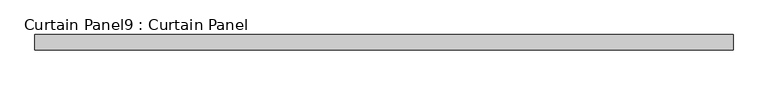
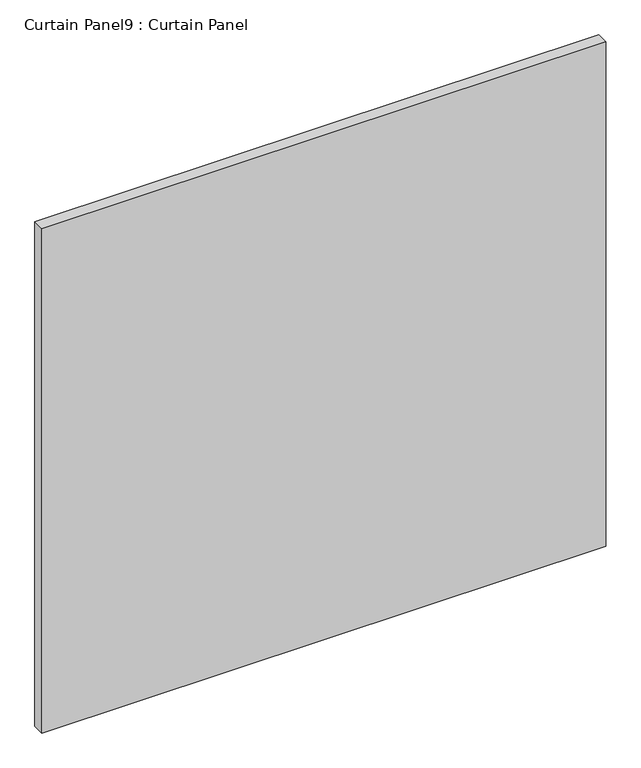
"""IFC4 building model written with IfcOpenShell, lengths in millimetres: plate geometry, Curtain Panel9 : Curtain Panel."""

from ifc_helpers import new_model, si_unit, frame, origin, place, context, project, spatial, polyline, outline, extrude, source, transform, mapped, element, save


def curtain_panel9_curtain_panel_9ebe4ca2(model_context):
    return source(origin(), model_context, "Body", "SweptSolid", [
        extrude(outline(polyline([(-288504.7024652, 3163.0425864), (-289676.2774652, 3163.0425864), (-289676.2774652, 3188.4425864), (-288504.7024652, 3188.4425864), (-288504.7024652, 3163.0425864)])), frame((0.0, 0.0, -1201.7375), z_axis=(0.0, 0.0, 1.0), x_axis=(1.0, 0.0, 0.0)), (0.0, 0.0, 1.0), 1108.0750003),
    ])


if __name__ == "__main__":
    model = new_model("IFC4")
    model_context = context("Model", 3, world=origin())
    ifc_project = project(units=[si_unit("LENGTHUNIT", "METRE", prefix="MILLI")], contexts=[model_context])
    site = spatial("IfcSite", under=ifc_project)
    building = spatial("IfcBuilding", under=site)
    placement = place(None, origin())
    curtain_panel9_curtain_panel_shape = curtain_panel9_curtain_panel_9ebe4ca2(model_context)
    element("IfcPlate", 1, ObjectType="Curtain Panel9 : Curtain Panel", at=placement, inside=building, context=model_context, shape_type="MappedRepresentation", body=[
        mapped(curtain_panel9_curtain_panel_shape, transform((0.0, 0.0, 0.0), x_axis=(1.0, 0.0, 0.0), y_axis=(0.0, 1.0, 0.0), z_axis=(0.0, 0.0, 1.0))),
    ])
    save(model, "model.ifc")
